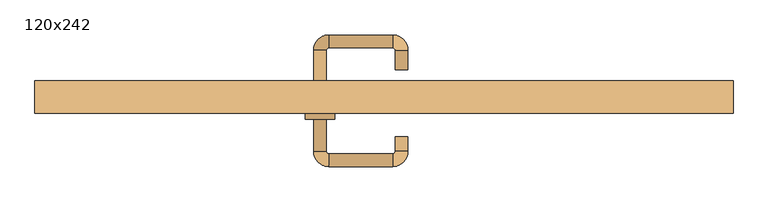
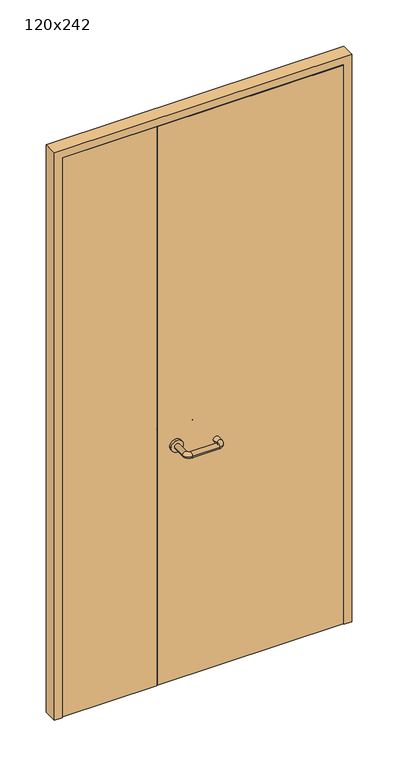
"""IFC4 building model written with IfcOpenShell, lengths in millimetres: door geometry, 120x242."""

from ifc_helpers import new_model, si_unit, point, frame, frame_2d, origin, place, context, project, spatial, polyline, circle_curve, ellipse_curve, trimmed, segment, composite_curve, outline, extrude, source, transform, mapped, element, save
from ifc_brep_helpers import plane_surface, cylinder_surface, revolved_surface, advanced_brep


def door_120x242_84720ba9(model_context):
    return source(origin(), model_context, "Body", "SolidModel", [
        extrude(outline(polyline([(2420.0, -600.0), (0.0, -600.0), (0.0, -568.0), (2388.0, -568.0), (2388.0, 568.0), (0.0, 568.0), (0.0, 600.0), (2420.0, 600.0), (2420.0, -600.0)])), frame((0.0, -40.0, 0.0), z_axis=(0.0, 1.0, 0.0), x_axis=(0.0, 0.0, 1.0)), (0.0, 0.0, 1.0), 56.4654067),
        advanced_brep(
        [(-121.0, 14.1125817, 1003.0), (-99.0, 14.1125817, 1003.0), (-99.0, 68.9968061, 1003.0), (-121.0, 68.9968061, 1003.0), (-95.0, 72.9968061, 1003.0), (-95.0, 94.9968061, 1003.0), (15.0, 72.9968061, 1003.0), (15.0, 94.9968061, 1003.0), (19.0, 68.9968061, 1003.0), (41.0, 68.9968061, 1003.0), (41.0, 35.0, 1003.0), (19.0, 35.0, 1003.0)],
        [
            (0, 1, circle_curve(frame((-110.0, 14.1125817, 1003.0), z_axis=(0.0, -1.0, 0.0), x_axis=(1.0, 0.0, 0.0)), 11.0)),
            (1, 0, circle_curve(frame((-110.0, 14.1125817, 1003.0), z_axis=(0.0, -1.0, 0.0), x_axis=(1.0, 0.0, 0.0)), 11.0)),
            (1, 2),
            (2, 3, circle_curve(frame((-110.0, 68.9968061, 1003.0), z_axis=(0.0, -1.0, 0.0), x_axis=(1.0, 0.0, 0.0)), 11.0)),
            (3, 0),
            (3, 2, circle_curve(frame((-110.0, 68.9968061, 1003.0), z_axis=(0.0, -1.0, 0.0), x_axis=(1.0, 0.0, 0.0)), 11.0)),
            (4, 5, circle_curve(frame((-95.0, 83.9968061, 1003.0), z_axis=(-1.0, 0.0, 0.0), x_axis=(0.0, -1.0, 0.0)), 11.0)),
            (5, 3, circle_curve(frame((-95.0, 68.9968061, 1003.0), z_axis=(0.0, 0.0, 1.0), x_axis=(-1.0, 0.0, 0.0)), 26.0)),
            (2, 4, circle_curve(frame((-95.0, 68.9968061, 1003.0), z_axis=(0.0, 0.0, -1.0), x_axis=(-1.0, 0.0, 0.0)), 4.0)),
            (5, 4, circle_curve(frame((-95.0, 83.9968061, 1003.0), z_axis=(-1.0, 0.0, 0.0), x_axis=(0.0, -1.0, 0.0)), 11.0)),
            (4, 6),
            (6, 7, circle_curve(frame((15.0, 83.9968061, 1003.0), z_axis=(-1.0, 0.0, 0.0), x_axis=(0.0, -1.0, 0.0)), 11.0)),
            (7, 5),
            (7, 6, circle_curve(frame((15.0, 83.9968061, 1003.0), z_axis=(-1.0, 0.0, 0.0), x_axis=(0.0, -1.0, 0.0)), 11.0)),
            (8, 9, circle_curve(frame((30.0, 68.9968061, 1003.0), z_axis=(0.0, 1.0, 0.0), x_axis=(-1.0, 0.0, 0.0)), 11.0)),
            (9, 7, circle_curve(frame((15.0, 68.9968061, 1003.0), z_axis=(0.0, 0.0, 1.0), x_axis=(0.0, 1.0, 0.0)), 26.0)),
            (6, 8, circle_curve(frame((15.0, 68.9968061, 1003.0), z_axis=(0.0, 0.0, -1.0), x_axis=(0.0, 1.0, 0.0)), 4.0)),
            (9, 8, circle_curve(frame((30.0, 68.9968061, 1003.0), z_axis=(0.0, 1.0, 0.0), x_axis=(-1.0, 0.0, 0.0)), 11.0)),
            (10, 11, circle_curve(frame((30.0, 35.0, 1003.0), z_axis=(0.0, -1.0, 0.0), x_axis=(-1.0, 0.0, 0.0)), 11.0)),
            (11, 10, circle_curve(frame((30.0, 35.0, 1003.0), z_axis=(0.0, -1.0, 0.0), x_axis=(-1.0, 0.0, 0.0)), 11.0)),
            (8, 11),
            (10, 9),
        ],
        [
            plane_surface(frame((-121.0, 14.1125817, 1003.0), z_axis=(0.0, -1.0, 0.0), x_axis=(0.0, 0.0, -1.0))),
            cylinder_surface(frame((-110.0, 14.1125817, 1003.0), z_axis=(0.0, -1.0, 0.0), x_axis=(1.0, 0.0, 0.0)), 11.0),
            revolved_surface(trimmed(ellipse_curve(frame((-110.0, 68.9968061, 1003.0), z_axis=(0.0, 1.0, 0.0), x_axis=(1.0, 0.0, 0.0)), 11.0, 11.0), [point((-121.0, 68.9968061, 1003.0))], [point((-99.0, 68.9968061, 1003.0))], True, "CARTESIAN"), (-95.0, 68.9968061, 1003.0), (0.0, 0.0, 1.0)),
            revolved_surface(trimmed(ellipse_curve(frame((-110.0, 68.9968061, 1003.0), z_axis=(0.0, 1.0, 0.0), x_axis=(1.0, 0.0, 0.0)), 11.0, 11.0), [point((-99.0, 68.9968061, 1003.0))], [point((-121.0, 68.9968061, 1003.0))], True, "CARTESIAN"), (-95.0, 68.9968061, 1003.0), (0.0, 0.0, 1.0)),
            cylinder_surface(frame((-95.0, 83.9968061, 1003.0), z_axis=(-1.0, 0.0, 0.0), x_axis=(0.0, -1.0, 0.0)), 11.0),
            revolved_surface(trimmed(ellipse_curve(frame((15.0, 83.9968061, 1003.0), z_axis=(1.0, 0.0, 0.0), x_axis=(0.0, -1.0, 0.0)), 11.0, 11.0), [point((15.0, 94.9968061, 1003.0))], [point((15.0, 72.9968061, 1003.0))], True, "CARTESIAN"), (15.0, 68.9968061, 1003.0), (0.0, 0.0, 1.0)),
            revolved_surface(trimmed(ellipse_curve(frame((15.0, 83.9968061, 1003.0), z_axis=(1.0, 0.0, 0.0), x_axis=(0.0, -1.0, 0.0)), 11.0, 11.0), [point((15.0, 72.9968061, 1003.0))], [point((15.0, 94.9968061, 1003.0))], True, "CARTESIAN"), (15.0, 68.9968061, 1003.0), (0.0, 0.0, 1.0)),
            plane_surface(frame((19.0, 35.0, 1003.0), z_axis=(0.0, -1.0, 0.0), x_axis=(0.0, 0.0, 1.0))),
            cylinder_surface(frame((30.0, 68.9968061, 1003.0), z_axis=(0.0, 1.0, 0.0), x_axis=(-1.0, 0.0, 0.0)), 11.0),
        ],
        [
            (0, [[1, 2]]),
            (1, [[3, 4, 5, -2]]),
            (1, [[-5, 6, -3, -1]]),
            (2, [[7, 8, -4, 9]]),
            (3, [[10, -9, -6, -8]]),
            (4, [[11, 12, 13, -7]]),
            (4, [[-13, 14, -11, -10]]),
            (5, [[15, 16, -12, 17]]),
            (6, [[18, -17, -14, -16]]),
            (7, [[19, 20]]),
            (8, [[21, -19, 22, -15]]),
            (8, [[-22, -20, -21, -18]]),
        ],
    ),
        extrude(outline(polyline([(-186.99898, 4.0), (-186.99898, -40.0), (-565.0, -40.0), (-565.0, 4.0), (-186.99898, 4.0)])), frame((0.0, 0.0, 3.0), z_axis=(0.0, 0.0, 1.0), x_axis=(1.0, 0.0, 0.0)), (0.0, 0.0, 1.0), 2382.0),
        extrude(outline(polyline([(565.0, 4.0), (565.0, -40.0), (-185.0, -40.0), (-185.0, 4.0), (565.0, 4.0)])), frame((0.0, 0.0, 3.0), z_axis=(0.0, 0.0, 1.0), x_axis=(1.0, 0.0, 0.0)), (0.0, 0.0, 1.0), 2382.0),
        extrude(outline(composite_curve([segment(trimmed(circle_curve(frame_2d((1003.0, -110.0)), 25.0), [point((1003.0, -135.0))], [point((1003.0, -85.0))], False, "CARTESIAN"), True, "CONTINUOUS"), segment(trimmed(circle_curve(frame_2d((1003.0, -110.0)), 25.0), [point((1003.0, -85.0))], [point((1003.0, -135.0))], False, "CARTESIAN"), True, "CONTINUOUS")], self_intersect=False)), frame((0.0, 4.0, 0.0), z_axis=(0.0, 1.0, 0.0), x_axis=(0.0, 0.0, 1.0)), (0.0, 0.0, 1.0), 10.1125817),
        advanced_brep(
        [(-99.0, -50.0, 1003.0), (-121.0, -50.0, 1003.0), (-121.0, -105.0, 1003.0), (-99.0, -105.0, 1003.0), (-95.0, -131.0, 1003.0), (-95.0, -109.0, 1003.0), (15.0, -131.0, 1003.0), (15.0, -109.0, 1003.0), (41.0, -105.0, 1003.0), (19.0, -105.0, 1003.0), (19.0, -80.0, 1003.0), (41.0, -80.0, 1003.0)],
        [
            (0, 1, circle_curve(frame((-110.0, -50.0, 1003.0), z_axis=(0.0, 1.0, 0.0), x_axis=(-1.0, 0.0, 0.0)), 11.0)),
            (1, 0, circle_curve(frame((-110.0, -50.0, 1003.0), z_axis=(0.0, 1.0, 0.0), x_axis=(-1.0, 0.0, 0.0)), 11.0)),
            (1, 2),
            (2, 3, circle_curve(frame((-110.0, -105.0, 1003.0), z_axis=(0.0, 1.0, 0.0), x_axis=(-1.0, 0.0, 0.0)), 11.0)),
            (3, 0),
            (3, 2, circle_curve(frame((-110.0, -105.0, 1003.0), z_axis=(0.0, 1.0, 0.0), x_axis=(-1.0, 0.0, 0.0)), 11.0)),
            (4, 5, circle_curve(frame((-95.0, -120.0, 1003.0), z_axis=(-1.0, 0.0, 0.0), x_axis=(0.0, -1.0, 0.0)), 11.0)),
            (5, 3, circle_curve(frame((-95.0, -105.0, 1003.0), z_axis=(0.0, 0.0, -1.0), x_axis=(-1.0, 0.0, 0.0)), 4.0)),
            (2, 4, circle_curve(frame((-95.0, -105.0, 1003.0), z_axis=(0.0, 0.0, 1.0), x_axis=(-1.0, 0.0, 0.0)), 26.0)),
            (5, 4, circle_curve(frame((-95.0, -120.0, 1003.0), z_axis=(-1.0, 0.0, 0.0), x_axis=(0.0, -1.0, 0.0)), 11.0)),
            (4, 6),
            (6, 7, circle_curve(frame((15.0, -120.0, 1003.0), z_axis=(-1.0, 0.0, 0.0), x_axis=(0.0, -1.0, 0.0)), 11.0)),
            (7, 5),
            (7, 6, circle_curve(frame((15.0, -120.0, 1003.0), z_axis=(-1.0, 0.0, 0.0), x_axis=(0.0, -1.0, 0.0)), 11.0)),
            (8, 9, circle_curve(frame((30.0, -105.0, 1003.0), z_axis=(0.0, -1.0, 0.0), x_axis=(1.0, 0.0, 0.0)), 11.0)),
            (9, 7, circle_curve(frame((15.0, -105.0, 1003.0), z_axis=(0.0, 0.0, -1.0), x_axis=(0.0, -1.0, 0.0)), 4.0)),
            (6, 8, circle_curve(frame((15.0, -105.0, 1003.0), z_axis=(0.0, 0.0, 1.0), x_axis=(0.0, -1.0, 0.0)), 26.0)),
            (9, 8, circle_curve(frame((30.0, -105.0, 1003.0), z_axis=(0.0, -1.0, 0.0), x_axis=(1.0, 0.0, 0.0)), 11.0)),
            (10, 11, circle_curve(frame((30.0, -80.0, 1003.0), z_axis=(0.0, 1.0, 0.0), x_axis=(1.0, 0.0, 0.0)), 11.0)),
            (11, 10, circle_curve(frame((30.0, -80.0, 1003.0), z_axis=(0.0, 1.0, 0.0), x_axis=(1.0, 0.0, 0.0)), 11.0)),
            (8, 11),
            (10, 9),
        ],
        [
            plane_surface(frame((-121.0, -50.0, 1003.0), z_axis=(0.0, 1.0, 0.0), x_axis=(0.0, 0.0, 1.0))),
            cylinder_surface(frame((-110.0, -50.0, 1003.0), z_axis=(0.0, 1.0, 0.0), x_axis=(-1.0, 0.0, 0.0)), 11.0),
            revolved_surface(trimmed(ellipse_curve(frame((-110.0, -105.0, 1003.0), z_axis=(0.0, -1.0, 0.0), x_axis=(-1.0, 0.0, 0.0)), 11.0, 11.0), [point((-99.0, -105.0, 1003.0))], [point((-121.0, -105.0, 1003.0))], True, "CARTESIAN"), (-95.0, -105.0, 1003.0), (0.0, 0.0, -1.0)),
            revolved_surface(trimmed(ellipse_curve(frame((-110.0, -105.0, 1003.0), z_axis=(0.0, -1.0, 0.0), x_axis=(-1.0, 0.0, 0.0)), 11.0, 11.0), [point((-121.0, -105.0, 1003.0))], [point((-99.0, -105.0, 1003.0))], True, "CARTESIAN"), (-95.0, -105.0, 1003.0), (0.0, 0.0, -1.0)),
            cylinder_surface(frame((-95.0, -120.0, 1003.0), z_axis=(-1.0, 0.0, 0.0), x_axis=(0.0, -1.0, 0.0)), 11.0),
            revolved_surface(trimmed(ellipse_curve(frame((15.0, -120.0, 1003.0), z_axis=(1.0, 0.0, 0.0), x_axis=(0.0, -1.0, 0.0)), 11.0, 11.0), [point((15.0, -109.0, 1003.0))], [point((15.0, -131.0, 1003.0))], True, "CARTESIAN"), (15.0, -105.0, 1003.0), (0.0, 0.0, -1.0)),
            revolved_surface(trimmed(ellipse_curve(frame((15.0, -120.0, 1003.0), z_axis=(1.0, 0.0, 0.0), x_axis=(0.0, -1.0, 0.0)), 11.0, 11.0), [point((15.0, -131.0, 1003.0))], [point((15.0, -109.0, 1003.0))], True, "CARTESIAN"), (15.0, -105.0, 1003.0), (0.0, 0.0, -1.0)),
            plane_surface(frame((19.0, -80.0, 1003.0), z_axis=(0.0, 1.0, 0.0), x_axis=(0.0, 0.0, -1.0))),
            cylinder_surface(frame((30.0, -105.0, 1003.0), z_axis=(0.0, -1.0, 0.0), x_axis=(1.0, 0.0, 0.0)), 11.0),
        ],
        [
            (0, [[1, 2]]),
            (1, [[3, 4, 5, -2]]),
            (1, [[-5, 6, -3, -1]]),
            (2, [[7, 8, -4, 9]]),
            (3, [[10, -9, -6, -8]]),
            (4, [[11, 12, 13, -7]]),
            (4, [[-13, 14, -11, -10]]),
            (5, [[15, 16, -12, 17]]),
            (6, [[18, -17, -14, -16]]),
            (7, [[19, 20]]),
            (8, [[21, -19, 22, -15]]),
            (8, [[-22, -20, -21, -18]]),
        ],
    ),
        extrude(outline(composite_curve([segment(trimmed(circle_curve(frame_2d((1003.0, -110.0)), 25.0), [point((1003.0, -85.0))], [point((1003.0, -135.0))], False, "CARTESIAN"), True, "CONTINUOUS"), segment(trimmed(circle_curve(frame_2d((1003.0, -110.0)), 25.0), [point((1003.0, -135.0))], [point((1003.0, -85.0))], False, "CARTESIAN"), True, "CONTINUOUS")], self_intersect=False)), frame((0.0, -50.0, 0.0), z_axis=(0.0, 1.0, 0.0), x_axis=(0.0, 0.0, 1.0)), (0.0, 0.0, 1.0), 10.0),
    ])


if __name__ == "__main__":
    model = new_model("IFC4")
    model_context = context("Model", 3, world=origin())
    ifc_project = project(units=[si_unit("LENGTHUNIT", "METRE", prefix="MILLI")], contexts=[model_context])
    site = spatial("IfcSite", under=ifc_project)
    building = spatial("IfcBuilding", under=site)
    placement = place(None, origin())
    door_120x242_shape = door_120x242_84720ba9(model_context)
    element("IfcDoor", 1, ObjectType="120x242", at=placement, inside=building, context=model_context, shape_type="MappedRepresentation", body=[
        mapped(door_120x242_shape, transform((0.0, 0.0, 0.0), x_axis=(1.0, 0.0, 0.0), y_axis=(0.0, 1.0, 0.0), z_axis=(0.0, 0.0, 1.0))),
    ])
    save(model, "model.ifc")
